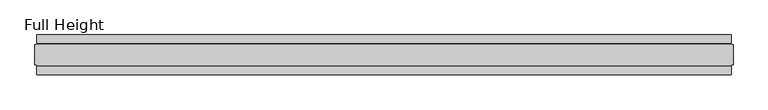
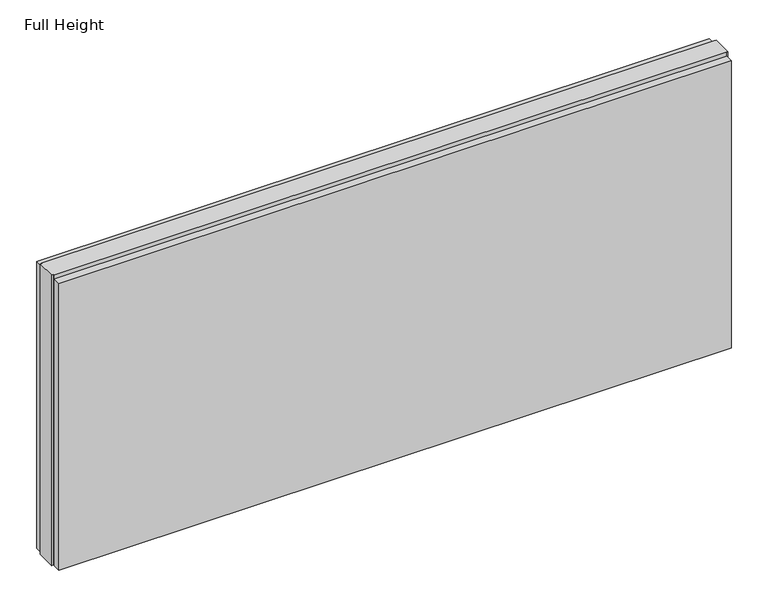
"""IFC4 building model written with IfcOpenShell, lengths in millimetres: plate geometry, Full Height."""

from ifc_helpers import new_model, si_unit, origin, origin_with_axes, place, context, project, spatial, polyline, outline, extrude, source, transform, mapped, element, save


def full_height_69a23123(model_context):
    return source(origin(), model_context, "Body", "SweptSolid", [
        extrude(outline(polyline([(864.3067871, -28.956), (864.3067871, -49.53), (-864.3067871, -49.53), (-864.3067871, -28.956), (864.3067871, -28.956)])), origin_with_axes(), (0.0, 0.0, 1.0), 780.796),
        extrude(outline(polyline([(864.3067871, 28.956), (-864.3067871, 28.956), (-864.3067871, 49.53), (864.3067871, 49.53), (864.3067871, 28.956)])), origin_with_axes(), (0.0, 0.0, 1.0), 780.796),
        extrude(outline(polyline([(864.3067871, 25.146), (868.8787871, 25.146), (868.8787871, -25.146), (864.3067871, -25.146), (864.3067871, -26.67), (-864.3067871, -26.67), (-864.3067871, -25.146), (-868.8787871, -25.146), (-868.8787871, 25.146), (-864.3067871, 25.146), (-864.3067871, 26.67), (864.3067871, 26.67), (864.3067871, 25.146)])), origin_with_axes(), (0.0, 0.0, 1.0), 789.94),
    ])


if __name__ == "__main__":
    model = new_model("IFC4")
    model_context = context("Model", 3, world=origin())
    ifc_project = project(units=[si_unit("LENGTHUNIT", "METRE", prefix="MILLI")], contexts=[model_context])
    site = spatial("IfcSite", under=ifc_project)
    building = spatial("IfcBuilding", under=site)
    placement = place(None, origin())
    full_height_shape = full_height_69a23123(model_context)
    element("IfcPlate", 1, ObjectType="Full Height", at=placement, inside=building, context=model_context, shape_type="MappedRepresentation", body=[
        mapped(full_height_shape, transform((0.0, 0.0, 0.0), x_axis=(1.0, 0.0, 0.0), y_axis=(0.0, 1.0, 0.0), z_axis=(0.0, 0.0, 1.0))),
    ])
    save(model, "model.ifc")
